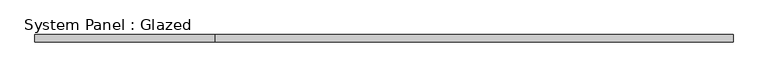
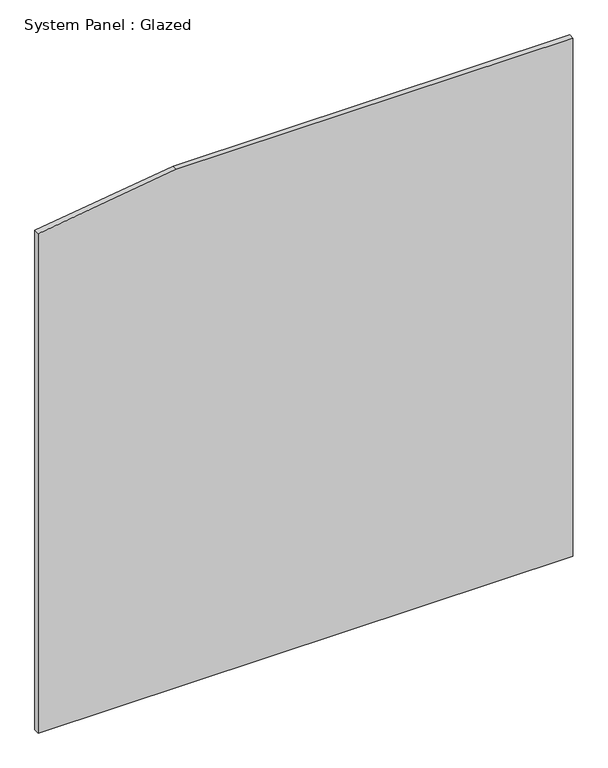
"""IFC4 building model written with IfcOpenShell, lengths in millimetres: plate geometry, System Panel : Glazed."""

from ifc_helpers import new_model, si_unit, frame, origin, place, context, project, spatial, polyline, outline, extrude, source, transform, mapped, element, save


def system_panel_glazed_5159914d(model_context):
    return source(origin(), model_context, "Body", "SweptSolid", [
        extrude(outline(polyline([(0.0, -1171.7121958), (0.0, 1171.7121958), (2400.0, 1171.7121958), (2400.0, -565.8454966), (2314.5962802, -1171.7121958), (0.0, -1171.7121958)])), frame((0.0, -49.5, 0.0), z_axis=(0.0, 1.0, 0.0), x_axis=(0.0, 0.0, 1.0)), (0.0, 0.0, 1.0), 25.0),
    ])


if __name__ == "__main__":
    model = new_model("IFC4")
    model_context = context("Model", 3, world=origin())
    ifc_project = project(units=[si_unit("LENGTHUNIT", "METRE", prefix="MILLI")], contexts=[model_context])
    site = spatial("IfcSite", under=ifc_project)
    building = spatial("IfcBuilding", under=site)
    placement = place(None, origin())
    system_panel_glazed_shape = system_panel_glazed_5159914d(model_context)
    element("IfcPlate", 1, ObjectType="System Panel : Glazed", at=placement, inside=building, context=model_context, shape_type="MappedRepresentation", body=[
        mapped(system_panel_glazed_shape, transform((0.0, 0.0, 0.0), x_axis=(1.0, 0.0, 0.0), y_axis=(0.0, 1.0, 0.0), z_axis=(0.0, 0.0, 1.0))),
    ])
    save(model, "model.ifc")
